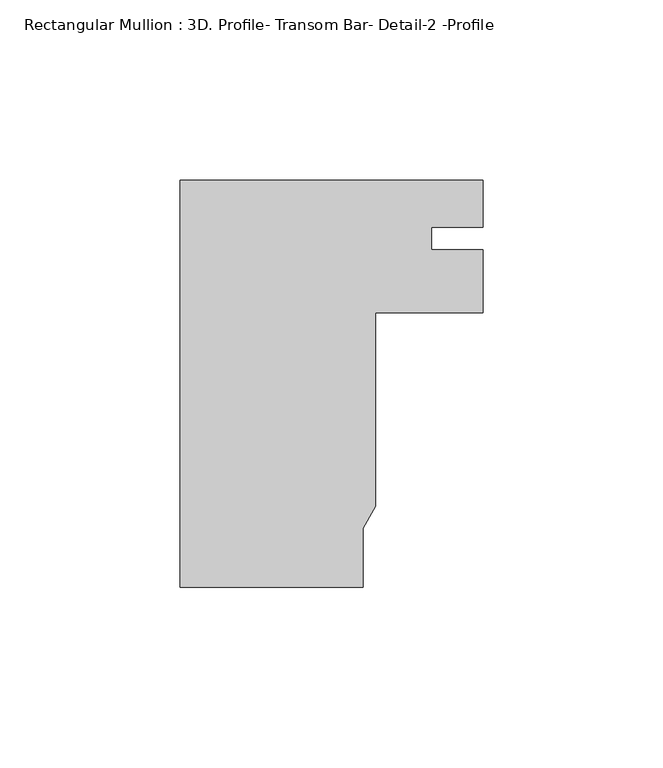
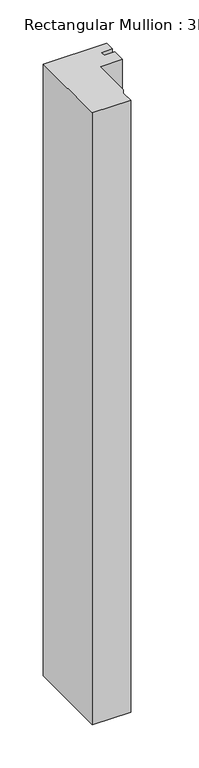
"""IFC4 building model written with IfcOpenShell, lengths in millimetres: member geometry, Rectangular Mullion : 3D. Profile- Transom Bar- Detail-2 -Profile."""

from ifc_helpers import new_model, si_unit, frame, origin, place, context, project, spatial, polyline, outline, extrude, source, transform, mapped, element, save


def rectangular_mullion_3d_profile_transom_bar_detail_2_profile_fe2e0fb6(model_context):
    return source(origin(), model_context, "Body", "SweptSolid", [
        extrude(outline(polyline([(58.7362808, 60.8779027), (44.45, 60.8779027), (44.45, 54.5279027), (58.7375, 54.5279027), (58.7375, 37.0584932), (28.9005843, 37.0584932), (28.9005843, -16.6749647), (25.4, -22.7519791), (25.4, -39.1771188), (-25.4, -39.1771188), (-25.4, 73.9036813), (58.7362808, 73.9036813), (58.7362808, 60.8779027)])), frame((0.0, 0.0, -861.2572038), z_axis=(0.0, 0.0, 1.0), x_axis=(1.0, 0.0, 0.0)), (0.0, 0.0, 1.0), 861.2572038),
    ])


if __name__ == "__main__":
    model = new_model("IFC4")
    model_context = context("Model", 3, world=origin())
    ifc_project = project(units=[si_unit("LENGTHUNIT", "METRE", prefix="MILLI")], contexts=[model_context])
    site = spatial("IfcSite", under=ifc_project)
    building = spatial("IfcBuilding", under=site)
    placement = place(None, origin())
    rectangular_mullion_3d_profile_transom_bar_detail_2_profile_shape = rectangular_mullion_3d_profile_transom_bar_detail_2_profile_fe2e0fb6(model_context)
    element("IfcMember", 1, ObjectType="Rectangular Mullion : 3D. Profile- Transom Bar- Detail-2 -Profile", at=placement, inside=building, context=model_context, shape_type="MappedRepresentation", body=[
        mapped(rectangular_mullion_3d_profile_transom_bar_detail_2_profile_shape, transform((0.0, 0.0, 0.0), x_axis=(1.0, 0.0, 0.0), y_axis=(0.0, 1.0, 0.0), z_axis=(0.0, 0.0, 1.0))),
    ])
    save(model, "model.ifc")
